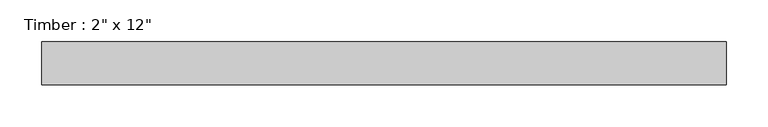
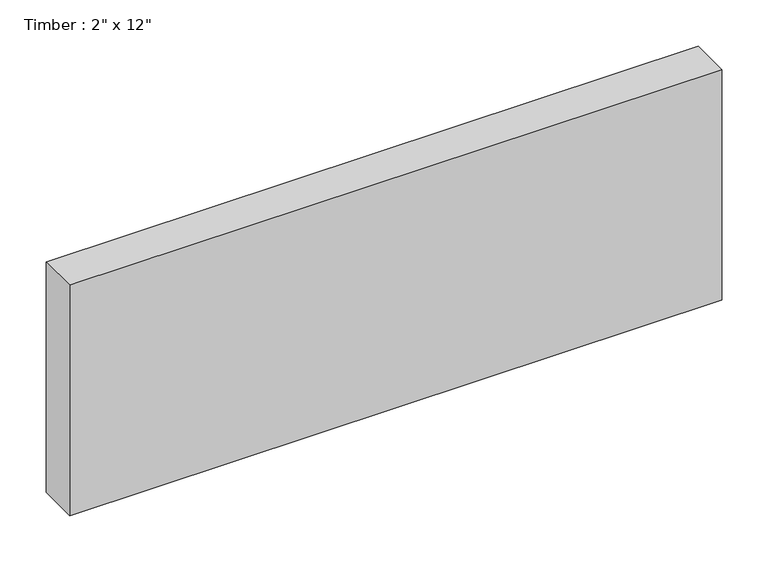
"""IFC4 building model written with IfcOpenShell, lengths in millimetres: beam geometry."""

import ifcopenshell
import ifcopenshell.guid

model = None  # the IFC model being written
_history = None  # IfcOwnerHistory: only IFC2X3 demands one
_inside = {}  # id of a spatial element -> (the spatial element, [elements in it])
_under = {}  # id of a project, library or spatial element -> (it, [spatial elements below it])
_declared = {}  # id of a project -> (the project, [libraries it declares])
_typed = {}  # id of a type object -> (the type object, [elements of that type])
_made_of = {}  # id of a material, layer set ... -> (it, [elements and type objects made of it])


def new_model(schema):
    """Start an empty IFC model of exactly this schema.

    Asked for "IFC4X3", IfcOpenShell would pick the latest addendum, in which some entities
    have other attributes; the version numbers below select the first issue.
    IFC2X3 requires an IfcOwnerHistory on every rooted entity: one is made here for all.
    """
    global model, _history
    if schema == "IFC4X3":
        model = ifcopenshell.file(schema_version=(4, 3, 0, 0))
    else:
        model = ifcopenshell.file(schema=schema)
    _inside.clear()
    _under.clear()
    _declared.clear()
    _typed.clear()
    _made_of.clear()
    _history = None
    if model.schema == "IFC2X3":
        org = make("IfcOrganization", Name="unknown")
        user = make(
            "IfcPersonAndOrganization",
            ThePerson=make("IfcPerson", FamilyName="unknown"),
            TheOrganization=org,
        )
        app = make(
            "IfcApplication",
            ApplicationDeveloper=org,
            Version="unknown",
            ApplicationFullName="unknown",
            ApplicationIdentifier="unknown",
        )
        _history = make(
            "IfcOwnerHistory",
            OwningUser=user,
            OwningApplication=app,
            ChangeAction="ADDED",
            CreationDate=0,
        )
    return model


def make(cls, **values):
    """One entity of the class cls with the attributes given. An attribute that is None is left unset."""
    return model.create_entity(
        cls, **{name: value for name, value in values.items() if value is not None}
    )


def rooted(cls, **values):
    """An entity with a GlobalId (a new one), such as an element, a storey or a relation."""
    return make(cls, GlobalId=ifcopenshell.guid.new(), OwnerHistory=_history, **values)


def si_unit(unit_type, name, prefix=None):
    """IfcSIUnit, for example si_unit("LENGTHUNIT", "METRE", prefix="MILLI")."""
    return make("IfcSIUnit", UnitType=unit_type, Prefix=prefix, Name=name)


def assignment(units):
    """IfcUnitAssignment: the units of a project."""
    return None if units is None else make("IfcUnitAssignment", Units=units)


def point(xyz):
    """IfcCartesianPoint."""
    return None if xyz is None else make("IfcCartesianPoint", Coordinates=xyz)


def direction(xyz):
    """IfcDirection."""
    return None if xyz is None else make("IfcDirection", DirectionRatios=xyz)


def frame(location, z_axis=None, x_axis=None):
    """IfcAxis2Placement3D, a coordinate frame: its origin and axes. An axis left out is left unset."""
    return make(
        "IfcAxis2Placement3D",
        Location=point(location),
        Axis=direction(z_axis),
        RefDirection=direction(x_axis),
    )


def origin():
    """The frame at (0, 0, 0) with its axes left unset."""
    return frame((0.0, 0.0, 0.0))


def place(relative_to, where):
    """IfcLocalPlacement: puts the frame where relative to a parent placement (None: the world)."""
    return make(
        "IfcLocalPlacement", PlacementRelTo=relative_to, RelativePlacement=where
    )


def context(
    kind, dimensions, precision=None, world=None, true_north=None, identifier=None
):
    """IfcGeometricRepresentationContext, for example the 3D "Model" context."""
    return make(
        "IfcGeometricRepresentationContext",
        ContextIdentifier=identifier,
        ContextType=kind,
        CoordinateSpaceDimension=dimensions,
        Precision=precision,
        WorldCoordinateSystem=world,
        TrueNorth=true_north,
    )


def project(units=None, contexts=None):
    """IfcProject with its units and contexts."""
    return rooted(
        "IfcProject",
        Name="project",
        RepresentationContexts=contexts,
        UnitsInContext=assignment(units),
    )


def spatial(cls, under=None, at=None, **own):
    """A site, building, storey or space (cls), placed at a placement, below another one or the project."""
    s = rooted(cls, ObjectPlacement=at, **own)
    if under is not None:
        _under.setdefault(under.id(), (under, []))[1].append(s)
    return s


def polyline(points):
    """IfcPolyline through the points."""
    return make("IfcPolyline", Points=[point(p) for p in points])


def outline(outer, holes=None, kind="AREA"):
    """IfcArbitraryClosedProfileDef: a profile drawn as a closed curve; with holes, ...WithVoids."""
    if holes is None:
        return make("IfcArbitraryClosedProfileDef", ProfileType=kind, OuterCurve=outer)
    return make(
        "IfcArbitraryProfileDefWithVoids",
        ProfileType=kind,
        OuterCurve=outer,
        InnerCurves=holes,
    )


def extrude(swept, where, along, depth):
    """IfcExtrudedAreaSolid: the profile swept, set in the frame where, extruded along a direction by depth."""
    return make(
        "IfcExtrudedAreaSolid",
        SweptArea=swept,
        Position=where,
        ExtrudedDirection=direction(along),
        Depth=depth,
    )


def shape(context_of_items, identifier, shape_type, items):
    """IfcShapeRepresentation: the items that make up one representation, for example the "Body"."""
    return make(
        "IfcShapeRepresentation",
        ContextOfItems=context_of_items,
        RepresentationIdentifier=identifier,
        RepresentationType=shape_type,
        Items=items,
    )


def source(mapping_origin, context_of_items, identifier, shape_type, items):
    """IfcRepresentationMap: a shape defined once, which mapped items show again and again."""
    return make(
        "IfcRepresentationMap",
        MappingOrigin=mapping_origin,
        MappedRepresentation=shape(context_of_items, identifier, shape_type, items),
    )


def transform(
    local_origin,
    x_axis=None,
    y_axis=None,
    z_axis=None,
    scale=None,
    scale2=None,
    scale3=None,
    uniform=True,
):
    """IfcCartesianTransformationOperator3D, or its non-uniform kind. x_axis, y_axis, z_axis: its Axis1, 2, 3."""
    if uniform:
        return make(
            "IfcCartesianTransformationOperator3D",
            Axis1=direction(x_axis),
            Axis2=direction(y_axis),
            LocalOrigin=point(local_origin),
            Scale=scale,
            Axis3=direction(z_axis),
        )
    return make(
        "IfcCartesianTransformationOperator3DnonUniform",
        Axis1=direction(x_axis),
        Axis2=direction(y_axis),
        LocalOrigin=point(local_origin),
        Scale=scale,
        Axis3=direction(z_axis),
        Scale2=scale2,
        Scale3=scale3,
    )


def mapped(mapping_source, mapping_target):
    """IfcMappedItem: shows the shape of a source again, moved by a transform."""
    return make(
        "IfcMappedItem", MappingSource=mapping_source, MappingTarget=mapping_target
    )


def made_of(thing, what):
    """Note that an element or type object is made of a material, layer set ...; save() writes the relation."""
    if what is not None:
        _made_of.setdefault(what.id(), (what, []))[1].append(thing)
    return thing


def element(
    cls,
    number,
    at=None,
    inside=None,
    cuts=None,
    type_object=None,
    material=None,
    context=None,
    identifier="Body",
    shape_type=None,
    held_by="IfcProductDefinitionShape",
    body=None,
    shapes=None,
    **own,
):
    """One element of the class cls, such as IfcWall. Its Tag is "e" and its number.

    at: its placement. inside: the storey or other place that contains it. cuts: it is an
    opening in that element (IfcRelVoidsElement). A single representation is given by context,
    identifier, shape_type and body (its items); several are given by shapes. held_by: the class
    of the entity that holds the representations. save() writes the other relations.
    """
    e = rooted(cls, Tag="e%d" % number, ObjectPlacement=at, **own)
    if body is not None:
        shapes = [shape(context, identifier, shape_type, body)]
    if shapes is not None:
        e.Representation = make(held_by, Representations=shapes)
    if inside is not None:
        _inside.setdefault(inside.id(), (inside, []))[1].append(e)
    if cuts is not None:
        rooted(
            "IfcRelVoidsElement", RelatingBuildingElement=cuts, RelatedOpeningElement=e
        )
    if type_object is not None:
        _typed.setdefault(type_object.id(), (type_object, []))[1].append(e)
    return made_of(e, material)


def aggregate(whole, parts):
    """IfcRelAggregates: a whole, such as a stair, and the parts it consists of."""
    return rooted("IfcRelAggregates", RelatingObject=whole, RelatedObjects=parts)


def save(model, path):
    """Write the relations noted so far, then the file.

    IfcRelAggregates (storeys below a building ...), IfcRelContainedInSpatialStructure (elements
    in a storey), IfcRelDefinesByType, IfcRelAssociatesMaterial and IfcRelDeclares: one each for
    every whole, place, type object, material and project.
    """
    for whole, parts in _under.values():
        aggregate(whole, parts)
    for where, things in _inside.values():
        rooted(
            "IfcRelContainedInSpatialStructure",
            RelatedElements=things,
            RelatingStructure=where,
        )
    for kind, things in _typed.values():
        rooted("IfcRelDefinesByType", RelatedObjects=things, RelatingType=kind)
    for what, things in _made_of.values():
        rooted("IfcRelAssociatesMaterial", RelatedObjects=things, RelatingMaterial=what)
    for by, libraries in _declared.values():
        rooted("IfcRelDeclares", RelatingContext=by, RelatedDefinitions=libraries)
    model.write(path)


def beam_d0600b82(model_context):
    return source(origin(), model_context, "Body", "SweptSolid", [
        extrude(outline(polyline([(407.3779224, 25.4), (407.3779224, -25.4), (-407.3779218, -25.4), (-407.3779218, 25.4), (407.3779224, 25.4)])), frame((0.0, 0.0, -152.4), z_axis=(0.0, 0.0, 1.0), x_axis=(1.0, 0.0, 0.0)), (0.0, 0.0, 1.0), 304.8),
    ])


if __name__ == "__main__":
    model = new_model("IFC4")
    model_context = context("Model", 3, world=origin())
    ifc_project = project(units=[si_unit("LENGTHUNIT", "METRE", prefix="MILLI")], contexts=[model_context])
    site = spatial("IfcSite", under=ifc_project)
    building = spatial("IfcBuilding", under=site)
    placement = place(None, origin())
    beam_shape = beam_d0600b82(model_context)
    element("IfcBeam", 1, ObjectType="Timber : 2\" x 12\"", at=placement, inside=building, context=model_context, shape_type="MappedRepresentation", body=[
        mapped(beam_shape, transform((0.0, 0.0, 0.0), x_axis=(1.0, 0.0, 0.0), y_axis=(0.0, 1.0, 0.0), z_axis=(0.0, 0.0, 1.0))),
    ])
    save(model, "model.ifc")
